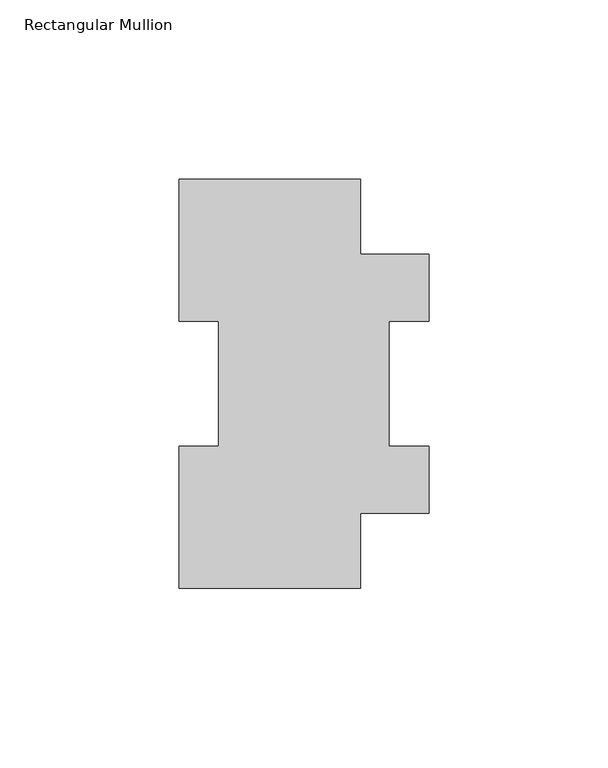
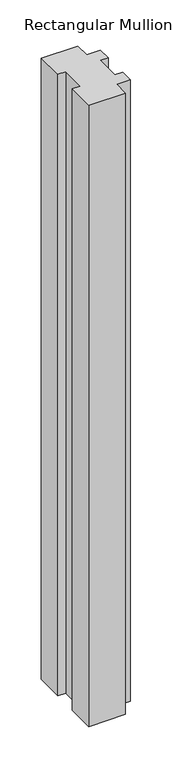
"""IFC4 building model written with IfcOpenShell, lengths in millimetres: member geometry, Rectangular Mullion."""

from ifc_helpers import new_model, si_unit, frame, origin, place, context, project, spatial, polyline, outline, extrude, source, transform, mapped, element, save


def rectangular_mullion_d12c8734(model_context):
    return source(origin(), model_context, "Body", "SweptSolid", [
        extrude(outline(polyline([(-25.4, 114.271425), (25.4, 114.271425), (25.4, 93.265625), (44.45, 93.265625), (44.45, 74.596625), (33.3375, 74.596625), (33.3375, 39.646225), (44.45, 39.646225), (44.45, 20.977225), (25.4, 20.977225), (25.4, -0.028575), (-25.4, -0.028575), (-25.4, 39.646225), (-14.2875, 39.646225), (-14.2875, 74.596625), (-25.4, 74.596625), (-25.4, 114.271425)])), frame((0.0, 0.0, -914.4), z_axis=(0.0, 0.0, 1.0), x_axis=(1.0, 0.0, 0.0)), (0.0, 0.0, 1.0), 914.4),
    ])


if __name__ == "__main__":
    model = new_model("IFC4")
    model_context = context("Model", 3, world=origin())
    ifc_project = project(units=[si_unit("LENGTHUNIT", "METRE", prefix="MILLI")], contexts=[model_context])
    site = spatial("IfcSite", under=ifc_project)
    building = spatial("IfcBuilding", under=site)
    placement = place(None, origin())
    rectangular_mullion_shape = rectangular_mullion_d12c8734(model_context)
    element("IfcMember", 1, ObjectType="Rectangular Mullion", at=placement, inside=building, context=model_context, shape_type="MappedRepresentation", body=[
        mapped(rectangular_mullion_shape, transform((0.0, 0.0, 0.0), x_axis=(1.0, 0.0, 0.0), y_axis=(0.0, 1.0, 0.0), z_axis=(0.0, 0.0, 1.0))),
    ])
    save(model, "model.ifc")
